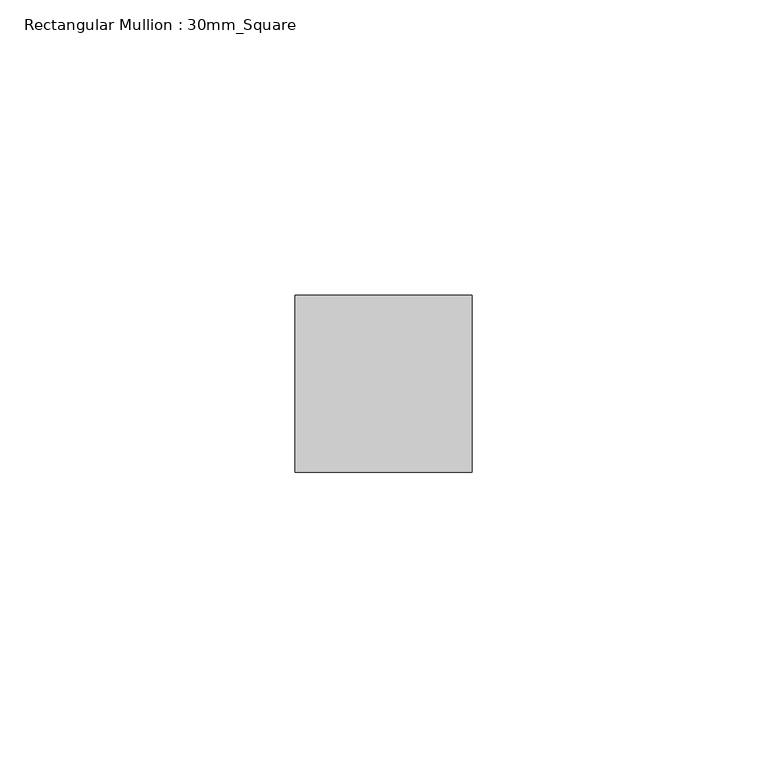
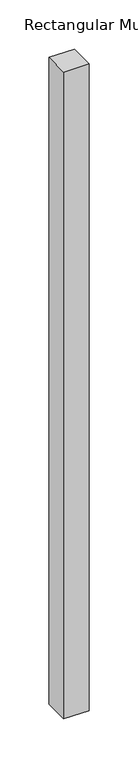
"""IFC4 building model written with IfcOpenShell, lengths in millimetres: member geometry, Rectangular Mullion : 30mm_Square."""

import ifcopenshell
import ifcopenshell.guid

model = None  # the IFC model being written
_history = None  # IfcOwnerHistory: only IFC2X3 demands one
_inside = {}  # id of a spatial element -> (the spatial element, [elements in it])
_under = {}  # id of a project, library or spatial element -> (it, [spatial elements below it])
_declared = {}  # id of a project -> (the project, [libraries it declares])
_typed = {}  # id of a type object -> (the type object, [elements of that type])
_made_of = {}  # id of a material, layer set ... -> (it, [elements and type objects made of it])


def new_model(schema):
    """Start an empty IFC model of exactly this schema.

    Asked for "IFC4X3", IfcOpenShell would pick the latest addendum, in which some entities
    have other attributes; the version numbers below select the first issue.
    IFC2X3 requires an IfcOwnerHistory on every rooted entity: one is made here for all.
    """
    global model, _history
    if schema == "IFC4X3":
        model = ifcopenshell.file(schema_version=(4, 3, 0, 0))
    else:
        model = ifcopenshell.file(schema=schema)
    _inside.clear()
    _under.clear()
    _declared.clear()
    _typed.clear()
    _made_of.clear()
    _history = None
    if model.schema == "IFC2X3":
        org = make("IfcOrganization", Name="unknown")
        user = make(
            "IfcPersonAndOrganization",
            ThePerson=make("IfcPerson", FamilyName="unknown"),
            TheOrganization=org,
        )
        app = make(
            "IfcApplication",
            ApplicationDeveloper=org,
            Version="unknown",
            ApplicationFullName="unknown",
            ApplicationIdentifier="unknown",
        )
        _history = make(
            "IfcOwnerHistory",
            OwningUser=user,
            OwningApplication=app,
            ChangeAction="ADDED",
            CreationDate=0,
        )
    return model


def make(cls, **values):
    """One entity of the class cls with the attributes given. An attribute that is None is left unset."""
    return model.create_entity(
        cls, **{name: value for name, value in values.items() if value is not None}
    )


def rooted(cls, **values):
    """An entity with a GlobalId (a new one), such as an element, a storey or a relation."""
    return make(cls, GlobalId=ifcopenshell.guid.new(), OwnerHistory=_history, **values)


def si_unit(unit_type, name, prefix=None):
    """IfcSIUnit, for example si_unit("LENGTHUNIT", "METRE", prefix="MILLI")."""
    return make("IfcSIUnit", UnitType=unit_type, Prefix=prefix, Name=name)


def assignment(units):
    """IfcUnitAssignment: the units of a project."""
    return None if units is None else make("IfcUnitAssignment", Units=units)


def point(xyz):
    """IfcCartesianPoint."""
    return None if xyz is None else make("IfcCartesianPoint", Coordinates=xyz)


def direction(xyz):
    """IfcDirection."""
    return None if xyz is None else make("IfcDirection", DirectionRatios=xyz)


def frame(location, z_axis=None, x_axis=None):
    """IfcAxis2Placement3D, a coordinate frame: its origin and axes. An axis left out is left unset."""
    return make(
        "IfcAxis2Placement3D",
        Location=point(location),
        Axis=direction(z_axis),
        RefDirection=direction(x_axis),
    )


def origin():
    """The frame at (0, 0, 0) with its axes left unset."""
    return frame((0.0, 0.0, 0.0))


def place(relative_to, where):
    """IfcLocalPlacement: puts the frame where relative to a parent placement (None: the world)."""
    return make(
        "IfcLocalPlacement", PlacementRelTo=relative_to, RelativePlacement=where
    )


def context(
    kind, dimensions, precision=None, world=None, true_north=None, identifier=None
):
    """IfcGeometricRepresentationContext, for example the 3D "Model" context."""
    return make(
        "IfcGeometricRepresentationContext",
        ContextIdentifier=identifier,
        ContextType=kind,
        CoordinateSpaceDimension=dimensions,
        Precision=precision,
        WorldCoordinateSystem=world,
        TrueNorth=true_north,
    )


def project(units=None, contexts=None):
    """IfcProject with its units and contexts."""
    return rooted(
        "IfcProject",
        Name="project",
        RepresentationContexts=contexts,
        UnitsInContext=assignment(units),
    )


def spatial(cls, under=None, at=None, **own):
    """A site, building, storey or space (cls), placed at a placement, below another one or the project."""
    s = rooted(cls, ObjectPlacement=at, **own)
    if under is not None:
        _under.setdefault(under.id(), (under, []))[1].append(s)
    return s


def polyline(points):
    """IfcPolyline through the points."""
    return make("IfcPolyline", Points=[point(p) for p in points])


def outline(outer, holes=None, kind="AREA"):
    """IfcArbitraryClosedProfileDef: a profile drawn as a closed curve; with holes, ...WithVoids."""
    if holes is None:
        return make("IfcArbitraryClosedProfileDef", ProfileType=kind, OuterCurve=outer)
    return make(
        "IfcArbitraryProfileDefWithVoids",
        ProfileType=kind,
        OuterCurve=outer,
        InnerCurves=holes,
    )


def extrude(swept, where, along, depth):
    """IfcExtrudedAreaSolid: the profile swept, set in the frame where, extruded along a direction by depth."""
    return make(
        "IfcExtrudedAreaSolid",
        SweptArea=swept,
        Position=where,
        ExtrudedDirection=direction(along),
        Depth=depth,
    )


def shape(context_of_items, identifier, shape_type, items):
    """IfcShapeRepresentation: the items that make up one representation, for example the "Body"."""
    return make(
        "IfcShapeRepresentation",
        ContextOfItems=context_of_items,
        RepresentationIdentifier=identifier,
        RepresentationType=shape_type,
        Items=items,
    )


def source(mapping_origin, context_of_items, identifier, shape_type, items):
    """IfcRepresentationMap: a shape defined once, which mapped items show again and again."""
    return make(
        "IfcRepresentationMap",
        MappingOrigin=mapping_origin,
        MappedRepresentation=shape(context_of_items, identifier, shape_type, items),
    )


def transform(
    local_origin,
    x_axis=None,
    y_axis=None,
    z_axis=None,
    scale=None,
    scale2=None,
    scale3=None,
    uniform=True,
):
    """IfcCartesianTransformationOperator3D, or its non-uniform kind. x_axis, y_axis, z_axis: its Axis1, 2, 3."""
    if uniform:
        return make(
            "IfcCartesianTransformationOperator3D",
            Axis1=direction(x_axis),
            Axis2=direction(y_axis),
            LocalOrigin=point(local_origin),
            Scale=scale,
            Axis3=direction(z_axis),
        )
    return make(
        "IfcCartesianTransformationOperator3DnonUniform",
        Axis1=direction(x_axis),
        Axis2=direction(y_axis),
        LocalOrigin=point(local_origin),
        Scale=scale,
        Axis3=direction(z_axis),
        Scale2=scale2,
        Scale3=scale3,
    )


def mapped(mapping_source, mapping_target):
    """IfcMappedItem: shows the shape of a source again, moved by a transform."""
    return make(
        "IfcMappedItem", MappingSource=mapping_source, MappingTarget=mapping_target
    )


def made_of(thing, what):
    """Note that an element or type object is made of a material, layer set ...; save() writes the relation."""
    if what is not None:
        _made_of.setdefault(what.id(), (what, []))[1].append(thing)
    return thing


def element(
    cls,
    number,
    at=None,
    inside=None,
    cuts=None,
    type_object=None,
    material=None,
    context=None,
    identifier="Body",
    shape_type=None,
    held_by="IfcProductDefinitionShape",
    body=None,
    shapes=None,
    **own,
):
    """One element of the class cls, such as IfcWall. Its Tag is "e" and its number.

    at: its placement. inside: the storey or other place that contains it. cuts: it is an
    opening in that element (IfcRelVoidsElement). A single representation is given by context,
    identifier, shape_type and body (its items); several are given by shapes. held_by: the class
    of the entity that holds the representations. save() writes the other relations.
    """
    e = rooted(cls, Tag="e%d" % number, ObjectPlacement=at, **own)
    if body is not None:
        shapes = [shape(context, identifier, shape_type, body)]
    if shapes is not None:
        e.Representation = make(held_by, Representations=shapes)
    if inside is not None:
        _inside.setdefault(inside.id(), (inside, []))[1].append(e)
    if cuts is not None:
        rooted(
            "IfcRelVoidsElement", RelatingBuildingElement=cuts, RelatedOpeningElement=e
        )
    if type_object is not None:
        _typed.setdefault(type_object.id(), (type_object, []))[1].append(e)
    return made_of(e, material)


def aggregate(whole, parts):
    """IfcRelAggregates: a whole, such as a stair, and the parts it consists of."""
    return rooted("IfcRelAggregates", RelatingObject=whole, RelatedObjects=parts)


def save(model, path):
    """Write the relations noted so far, then the file.

    IfcRelAggregates (storeys below a building ...), IfcRelContainedInSpatialStructure (elements
    in a storey), IfcRelDefinesByType, IfcRelAssociatesMaterial and IfcRelDeclares: one each for
    every whole, place, type object, material and project.
    """
    for whole, parts in _under.values():
        aggregate(whole, parts)
    for where, things in _inside.values():
        rooted(
            "IfcRelContainedInSpatialStructure",
            RelatedElements=things,
            RelatingStructure=where,
        )
    for kind, things in _typed.values():
        rooted("IfcRelDefinesByType", RelatedObjects=things, RelatingType=kind)
    for what, things in _made_of.values():
        rooted("IfcRelAssociatesMaterial", RelatedObjects=things, RelatingMaterial=what)
    for by, libraries in _declared.values():
        rooted("IfcRelDeclares", RelatingContext=by, RelatedDefinitions=libraries)
    model.write(path)


def rectangular_mullion_30mm_square_5eb5792c(model_context):
    return source(origin(), model_context, "Body", "SweptSolid", [
        extrude(outline(polyline([(0.0, 15.0), (0.0, -15.0), (-30.0, -15.0), (-30.0, 15.0), (0.0, 15.0)])), frame((0.0, 0.0, -805.0000003), z_axis=(0.0, 0.0, 1.0), x_axis=(1.0, 0.0, 0.0)), (0.0, 0.0, 1.0), 805.0000003),
    ])


if __name__ == "__main__":
    model = new_model("IFC4")
    model_context = context("Model", 3, world=origin())
    ifc_project = project(units=[si_unit("LENGTHUNIT", "METRE", prefix="MILLI")], contexts=[model_context])
    site = spatial("IfcSite", under=ifc_project)
    building = spatial("IfcBuilding", under=site)
    placement = place(None, origin())
    rectangular_mullion_30mm_square_shape = rectangular_mullion_30mm_square_5eb5792c(model_context)
    element("IfcMember", 1, ObjectType="Rectangular Mullion : 30mm_Square", at=placement, inside=building, context=model_context, shape_type="MappedRepresentation", body=[
        mapped(rectangular_mullion_30mm_square_shape, transform((0.0, 0.0, 0.0), x_axis=(1.0, 0.0, 0.0), y_axis=(0.0, 1.0, 0.0), z_axis=(0.0, 0.0, 1.0))),
    ])
    save(model, "model.ifc")
